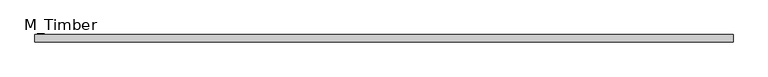
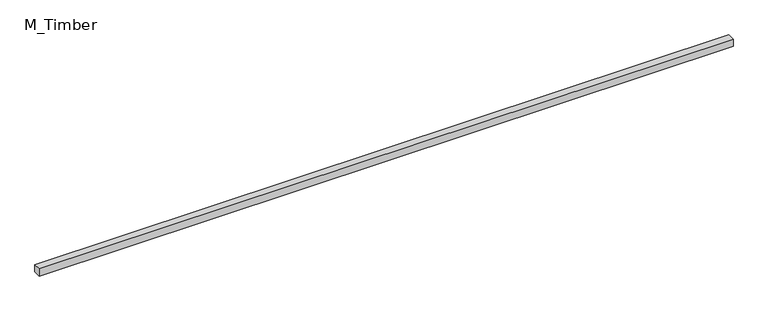
"""IFC4 building model written with IfcOpenShell, lengths in millimetres: beam geometry, M_Timber."""

from ifc_helpers import new_model, si_unit, frame, origin, place, context, project, spatial, polyline, outline, extrude, source, transform, mapped, element, save


def m_timber_f660abdf(model_context):
    return source(origin(), model_context, "Body", "SweptSolid", [
        extrude(outline(polyline([(1848.2706113, 20.0), (1848.2706113, -20.0), (-1848.2706113, -20.0), (-1848.2706113, 20.0), (1848.2706113, 20.0)])), frame((0.0, 0.0, -20.0), z_axis=(0.0, 0.0, 1.0), x_axis=(1.0, 0.0, 0.0)), (0.0, 0.0, 1.0), 40.0),
    ])


if __name__ == "__main__":
    model = new_model("IFC4")
    model_context = context("Model", 3, world=origin())
    ifc_project = project(units=[si_unit("LENGTHUNIT", "METRE", prefix="MILLI")], contexts=[model_context])
    site = spatial("IfcSite", under=ifc_project)
    building = spatial("IfcBuilding", under=site)
    placement = place(None, origin())
    m_timber_shape = m_timber_f660abdf(model_context)
    element("IfcBeam", 1, ObjectType="M_Timber", at=placement, inside=building, context=model_context, shape_type="MappedRepresentation", body=[
        mapped(m_timber_shape, transform((0.0, 0.0, 0.0), x_axis=(1.0, 0.0, 0.0), y_axis=(0.0, 1.0, 0.0), z_axis=(0.0, 0.0, 1.0))),
    ])
    save(model, "model.ifc")
